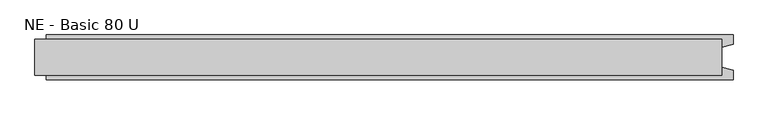
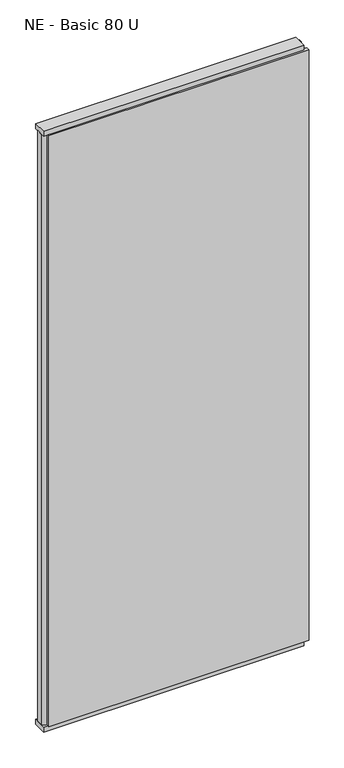
"""IFC4 building model written with IfcOpenShell, lengths in millimetres: plate geometry, NE - Basic 80 U."""

from ifc_helpers import new_model, si_unit, frame, origin, origin_with_axes, place, context, project, spatial, polyline, outline, extrude, source, transform, mapped, element, save


def ne_basic_80_u_d2284739(model_context):
    return source(origin(), model_context, "Body", "SweptSolid", [
        extrude(outline(polyline([(635.0, 40.0), (635.0, 22.9993165), (615.0, 17.6401049), (615.0, -17.6401049), (635.0, -22.9993165), (635.0, -40.0), (-595.0, -40.0), (-595.0, -22.9993165), (-615.0, -17.6401049), (-615.0, 17.6401049), (-595.0, 22.9993165), (-595.0, 40.0), (635.0, 40.0)])), frame((0.0, 0.0, 25.0), z_axis=(0.0, 0.0, 1.0), x_axis=(1.0, 0.0, 0.0)), (0.0, 0.0, 1.0), 2950.0),
        extrude(outline(polyline([(615.0, 32.0), (615.0, -32.0), (-615.0, -32.0), (-615.0, 32.0), (615.0, 32.0)])), origin_with_axes(), (0.0, 0.0, 1.0), 25.0),
        extrude(outline(polyline([(615.0, 32.0), (615.0, -32.0), (-615.0, -32.0), (-615.0, 32.0), (615.0, 32.0)])), frame((0.0, 0.0, 2975.0), z_axis=(0.0, 0.0, 1.0), x_axis=(1.0, 0.0, 0.0)), (0.0, 0.0, 1.0), 25.0),
    ])


if __name__ == "__main__":
    model = new_model("IFC4")
    model_context = context("Model", 3, world=origin())
    ifc_project = project(units=[si_unit("LENGTHUNIT", "METRE", prefix="MILLI")], contexts=[model_context])
    site = spatial("IfcSite", under=ifc_project)
    building = spatial("IfcBuilding", under=site)
    placement = place(None, origin())
    ne_basic_80_u_shape = ne_basic_80_u_d2284739(model_context)
    element("IfcPlate", 1, ObjectType="NE - Basic 80 U", at=placement, inside=building, context=model_context, shape_type="MappedRepresentation", body=[
        mapped(ne_basic_80_u_shape, transform((0.0, 0.0, 0.0), x_axis=(1.0, 0.0, 0.0), y_axis=(0.0, 1.0, 0.0), z_axis=(0.0, 0.0, 1.0))),
    ])
    save(model, "model.ifc")
